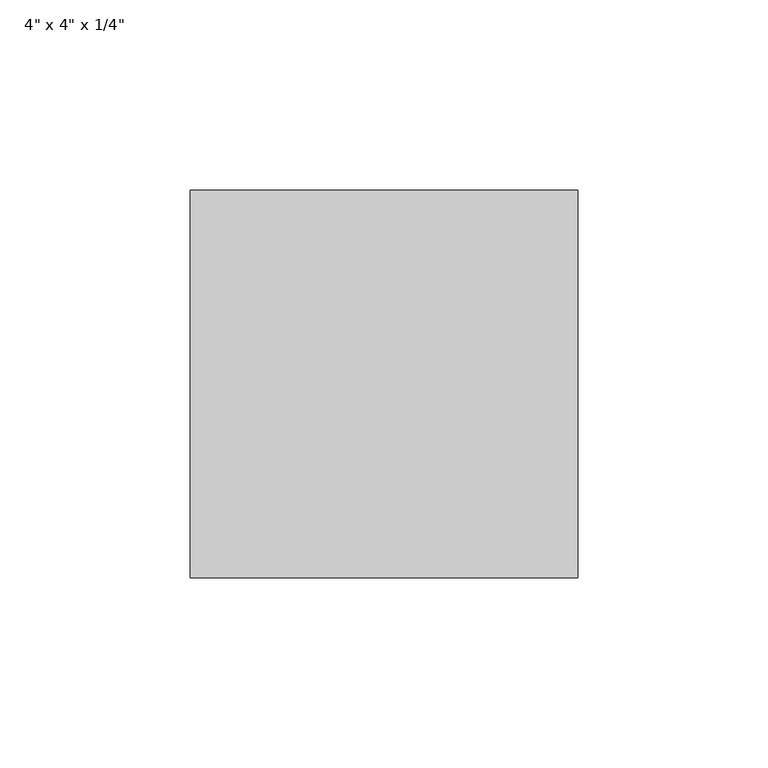
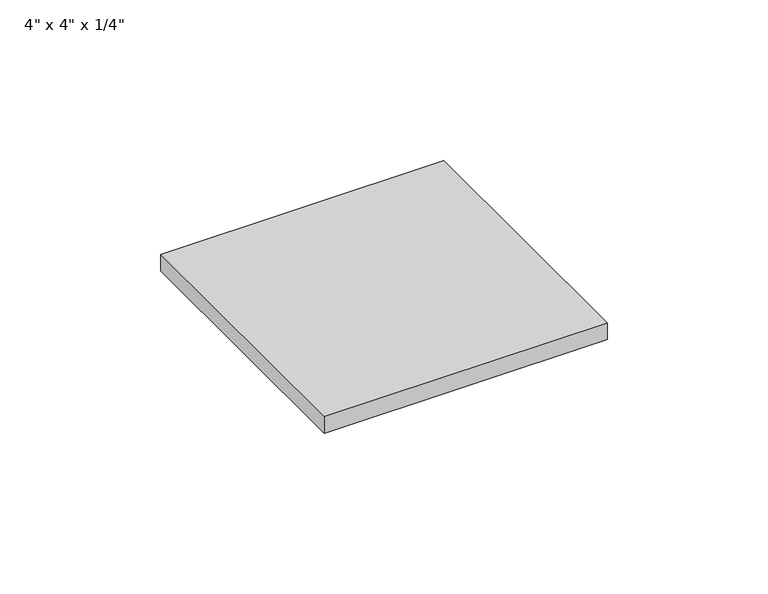
"""IFC4 building model written with IfcOpenShell, lengths in millimetres: proxy geometry."""

import ifcopenshell
import ifcopenshell.guid

model = None  # the IFC model being written
_history = None  # IfcOwnerHistory: only IFC2X3 demands one
_inside = {}  # id of a spatial element -> (the spatial element, [elements in it])
_under = {}  # id of a project, library or spatial element -> (it, [spatial elements below it])
_declared = {}  # id of a project -> (the project, [libraries it declares])
_typed = {}  # id of a type object -> (the type object, [elements of that type])
_made_of = {}  # id of a material, layer set ... -> (it, [elements and type objects made of it])


def new_model(schema):
    """Start an empty IFC model of exactly this schema.

    Asked for "IFC4X3", IfcOpenShell would pick the latest addendum, in which some entities
    have other attributes; the version numbers below select the first issue.
    IFC2X3 requires an IfcOwnerHistory on every rooted entity: one is made here for all.
    """
    global model, _history
    if schema == "IFC4X3":
        model = ifcopenshell.file(schema_version=(4, 3, 0, 0))
    else:
        model = ifcopenshell.file(schema=schema)
    _inside.clear()
    _under.clear()
    _declared.clear()
    _typed.clear()
    _made_of.clear()
    _history = None
    if model.schema == "IFC2X3":
        org = make("IfcOrganization", Name="unknown")
        user = make(
            "IfcPersonAndOrganization",
            ThePerson=make("IfcPerson", FamilyName="unknown"),
            TheOrganization=org,
        )
        app = make(
            "IfcApplication",
            ApplicationDeveloper=org,
            Version="unknown",
            ApplicationFullName="unknown",
            ApplicationIdentifier="unknown",
        )
        _history = make(
            "IfcOwnerHistory",
            OwningUser=user,
            OwningApplication=app,
            ChangeAction="ADDED",
            CreationDate=0,
        )
    return model


def make(cls, **values):
    """One entity of the class cls with the attributes given. An attribute that is None is left unset."""
    return model.create_entity(
        cls, **{name: value for name, value in values.items() if value is not None}
    )


def rooted(cls, **values):
    """An entity with a GlobalId (a new one), such as an element, a storey or a relation."""
    return make(cls, GlobalId=ifcopenshell.guid.new(), OwnerHistory=_history, **values)


def si_unit(unit_type, name, prefix=None):
    """IfcSIUnit, for example si_unit("LENGTHUNIT", "METRE", prefix="MILLI")."""
    return make("IfcSIUnit", UnitType=unit_type, Prefix=prefix, Name=name)


def assignment(units):
    """IfcUnitAssignment: the units of a project."""
    return None if units is None else make("IfcUnitAssignment", Units=units)


def point(xyz):
    """IfcCartesianPoint."""
    return None if xyz is None else make("IfcCartesianPoint", Coordinates=xyz)


def direction(xyz):
    """IfcDirection."""
    return None if xyz is None else make("IfcDirection", DirectionRatios=xyz)


def frame(location, z_axis=None, x_axis=None):
    """IfcAxis2Placement3D, a coordinate frame: its origin and axes. An axis left out is left unset."""
    return make(
        "IfcAxis2Placement3D",
        Location=point(location),
        Axis=direction(z_axis),
        RefDirection=direction(x_axis),
    )


def origin():
    """The frame at (0, 0, 0) with its axes left unset."""
    return frame((0.0, 0.0, 0.0))


def origin_with_axes():
    """The frame at (0, 0, 0) with the z axis (0, 0, 1) and the x axis (1, 0, 0) written out."""
    return frame((0.0, 0.0, 0.0), z_axis=(0.0, 0.0, 1.0), x_axis=(1.0, 0.0, 0.0))


def place(relative_to, where):
    """IfcLocalPlacement: puts the frame where relative to a parent placement (None: the world)."""
    return make(
        "IfcLocalPlacement", PlacementRelTo=relative_to, RelativePlacement=where
    )


def context(
    kind, dimensions, precision=None, world=None, true_north=None, identifier=None
):
    """IfcGeometricRepresentationContext, for example the 3D "Model" context."""
    return make(
        "IfcGeometricRepresentationContext",
        ContextIdentifier=identifier,
        ContextType=kind,
        CoordinateSpaceDimension=dimensions,
        Precision=precision,
        WorldCoordinateSystem=world,
        TrueNorth=true_north,
    )


def project(units=None, contexts=None):
    """IfcProject with its units and contexts."""
    return rooted(
        "IfcProject",
        Name="project",
        RepresentationContexts=contexts,
        UnitsInContext=assignment(units),
    )


def spatial(cls, under=None, at=None, **own):
    """A site, building, storey or space (cls), placed at a placement, below another one or the project."""
    s = rooted(cls, ObjectPlacement=at, **own)
    if under is not None:
        _under.setdefault(under.id(), (under, []))[1].append(s)
    return s


def polyline(points):
    """IfcPolyline through the points."""
    return make("IfcPolyline", Points=[point(p) for p in points])


def outline(outer, holes=None, kind="AREA"):
    """IfcArbitraryClosedProfileDef: a profile drawn as a closed curve; with holes, ...WithVoids."""
    if holes is None:
        return make("IfcArbitraryClosedProfileDef", ProfileType=kind, OuterCurve=outer)
    return make(
        "IfcArbitraryProfileDefWithVoids",
        ProfileType=kind,
        OuterCurve=outer,
        InnerCurves=holes,
    )


def extrude(swept, where, along, depth):
    """IfcExtrudedAreaSolid: the profile swept, set in the frame where, extruded along a direction by depth."""
    return make(
        "IfcExtrudedAreaSolid",
        SweptArea=swept,
        Position=where,
        ExtrudedDirection=direction(along),
        Depth=depth,
    )


def shape(context_of_items, identifier, shape_type, items):
    """IfcShapeRepresentation: the items that make up one representation, for example the "Body"."""
    return make(
        "IfcShapeRepresentation",
        ContextOfItems=context_of_items,
        RepresentationIdentifier=identifier,
        RepresentationType=shape_type,
        Items=items,
    )


def source(mapping_origin, context_of_items, identifier, shape_type, items):
    """IfcRepresentationMap: a shape defined once, which mapped items show again and again."""
    return make(
        "IfcRepresentationMap",
        MappingOrigin=mapping_origin,
        MappedRepresentation=shape(context_of_items, identifier, shape_type, items),
    )


def transform(
    local_origin,
    x_axis=None,
    y_axis=None,
    z_axis=None,
    scale=None,
    scale2=None,
    scale3=None,
    uniform=True,
):
    """IfcCartesianTransformationOperator3D, or its non-uniform kind. x_axis, y_axis, z_axis: its Axis1, 2, 3."""
    if uniform:
        return make(
            "IfcCartesianTransformationOperator3D",
            Axis1=direction(x_axis),
            Axis2=direction(y_axis),
            LocalOrigin=point(local_origin),
            Scale=scale,
            Axis3=direction(z_axis),
        )
    return make(
        "IfcCartesianTransformationOperator3DnonUniform",
        Axis1=direction(x_axis),
        Axis2=direction(y_axis),
        LocalOrigin=point(local_origin),
        Scale=scale,
        Axis3=direction(z_axis),
        Scale2=scale2,
        Scale3=scale3,
    )


def mapped(mapping_source, mapping_target):
    """IfcMappedItem: shows the shape of a source again, moved by a transform."""
    return make(
        "IfcMappedItem", MappingSource=mapping_source, MappingTarget=mapping_target
    )


def made_of(thing, what):
    """Note that an element or type object is made of a material, layer set ...; save() writes the relation."""
    if what is not None:
        _made_of.setdefault(what.id(), (what, []))[1].append(thing)
    return thing


def element(
    cls,
    number,
    at=None,
    inside=None,
    cuts=None,
    type_object=None,
    material=None,
    context=None,
    identifier="Body",
    shape_type=None,
    held_by="IfcProductDefinitionShape",
    body=None,
    shapes=None,
    **own,
):
    """One element of the class cls, such as IfcWall. Its Tag is "e" and its number.

    at: its placement. inside: the storey or other place that contains it. cuts: it is an
    opening in that element (IfcRelVoidsElement). A single representation is given by context,
    identifier, shape_type and body (its items); several are given by shapes. held_by: the class
    of the entity that holds the representations. save() writes the other relations.
    """
    e = rooted(cls, Tag="e%d" % number, ObjectPlacement=at, **own)
    if body is not None:
        shapes = [shape(context, identifier, shape_type, body)]
    if shapes is not None:
        e.Representation = make(held_by, Representations=shapes)
    if inside is not None:
        _inside.setdefault(inside.id(), (inside, []))[1].append(e)
    if cuts is not None:
        rooted(
            "IfcRelVoidsElement", RelatingBuildingElement=cuts, RelatedOpeningElement=e
        )
    if type_object is not None:
        _typed.setdefault(type_object.id(), (type_object, []))[1].append(e)
    return made_of(e, material)


def aggregate(whole, parts):
    """IfcRelAggregates: a whole, such as a stair, and the parts it consists of."""
    return rooted("IfcRelAggregates", RelatingObject=whole, RelatedObjects=parts)


def save(model, path):
    """Write the relations noted so far, then the file.

    IfcRelAggregates (storeys below a building ...), IfcRelContainedInSpatialStructure (elements
    in a storey), IfcRelDefinesByType, IfcRelAssociatesMaterial and IfcRelDeclares: one each for
    every whole, place, type object, material and project.
    """
    for whole, parts in _under.values():
        aggregate(whole, parts)
    for where, things in _inside.values():
        rooted(
            "IfcRelContainedInSpatialStructure",
            RelatedElements=things,
            RelatingStructure=where,
        )
    for kind, things in _typed.values():
        rooted("IfcRelDefinesByType", RelatedObjects=things, RelatingType=kind)
    for what, things in _made_of.values():
        rooted("IfcRelAssociatesMaterial", RelatedObjects=things, RelatingMaterial=what)
    for by, libraries in _declared.values():
        rooted("IfcRelDeclares", RelatingContext=by, RelatedDefinitions=libraries)
    model.write(path)


def proxy_4f211924(model_context):
    return source(origin(), model_context, "Body", "SweptSolid", [
        extrude(outline(polyline([(50.8, 50.8), (50.8, -50.8), (-50.8, -50.8), (-50.8, 50.8), (50.8, 50.8)])), origin_with_axes(), (0.0, 0.0, 1.0), 6.35),
    ])


if __name__ == "__main__":
    model = new_model("IFC4")
    model_context = context("Model", 3, world=origin())
    ifc_project = project(units=[si_unit("LENGTHUNIT", "METRE", prefix="MILLI")], contexts=[model_context])
    site = spatial("IfcSite", under=ifc_project)
    building = spatial("IfcBuilding", under=site)
    placement = place(None, origin())
    proxy_shape = proxy_4f211924(model_context)
    element("IfcBuildingElementProxy", 1, Name="4\" x 4\" x 1/4\"", ObjectType="4\" x 4\" x 1/4\"", at=placement, inside=building, context=model_context, shape_type="MappedRepresentation", body=[
        mapped(proxy_shape, transform((0.0, 0.0, 0.0), x_axis=(1.0, 0.0, 0.0), y_axis=(0.0, 1.0, 0.0), z_axis=(0.0, 0.0, 1.0))),
    ])
    save(model, "model.ifc")
